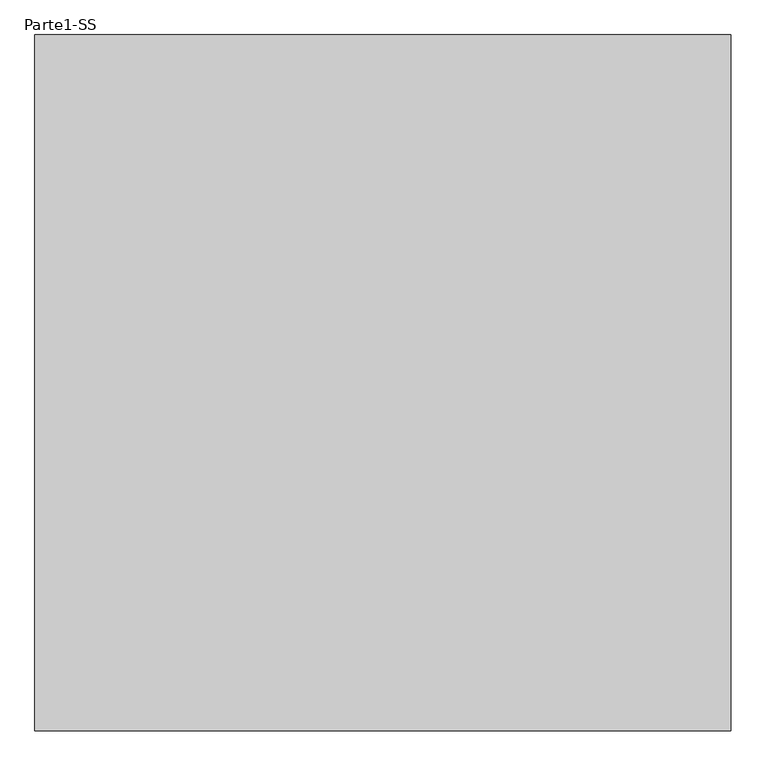
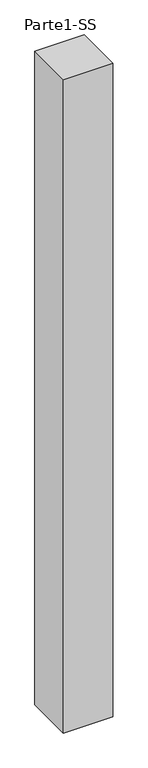
"""IFC4 building model written with IfcOpenShell, lengths in millimetres: proxy geometry, Parte1-SS."""

from ifc_helpers import new_model, si_unit, frame, origin, place, context, project, spatial, polyline, outline, extrude, source, transform, mapped, element, save


def parte1_ss_2e8e9647(model_context):
    return source(origin(), model_context, "Body", "SweptSolid", [
        extrude(outline(polyline([(10000.0, 10000.0), (10000.0, 0.0), (0.0, 0.0), (0.0, 10000.0), (10000.0, 10000.0)])), frame((0.0, 0.0, 25000.0), z_axis=(0.0, 0.0, 1.0), x_axis=(1.0, 0.0, 0.0)), (0.0, 0.0, 1.0), 140000.0),
    ])


if __name__ == "__main__":
    model = new_model("IFC4")
    model_context = context("Model", 3, world=origin())
    ifc_project = project(units=[si_unit("LENGTHUNIT", "METRE", prefix="MILLI")], contexts=[model_context])
    site = spatial("IfcSite", under=ifc_project)
    building = spatial("IfcBuilding", under=site)
    placement = place(None, origin())
    parte1_ss_shape = parte1_ss_2e8e9647(model_context)
    element("IfcBuildingElementProxy", 1, Name="Parte1-SS", ObjectType="Parte1-SS", at=placement, inside=building, context=model_context, shape_type="MappedRepresentation", body=[
        mapped(parte1_ss_shape, transform((0.0, 0.0, 0.0), x_axis=(1.0, 0.0, 0.0), y_axis=(0.0, 1.0, 0.0), z_axis=(0.0, 0.0, 1.0))),
    ])
    save(model, "model.ifc")
